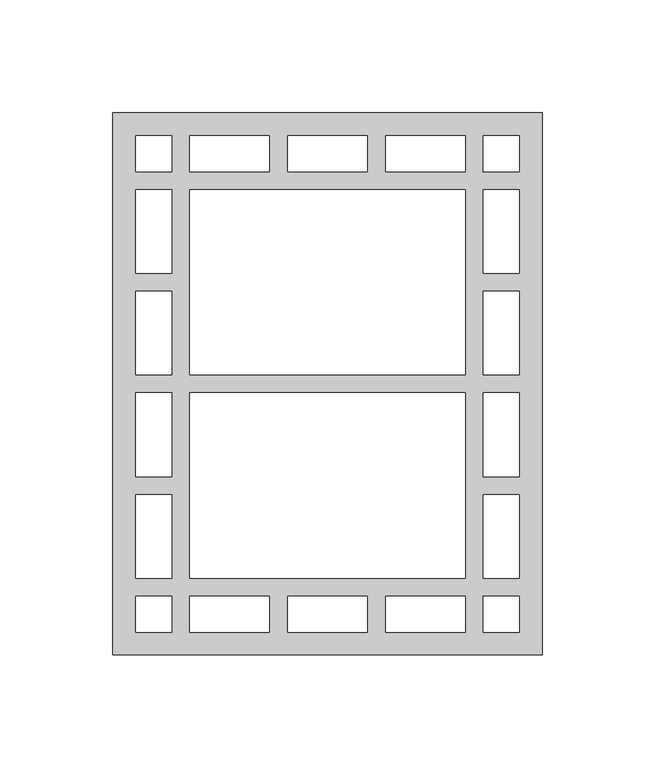
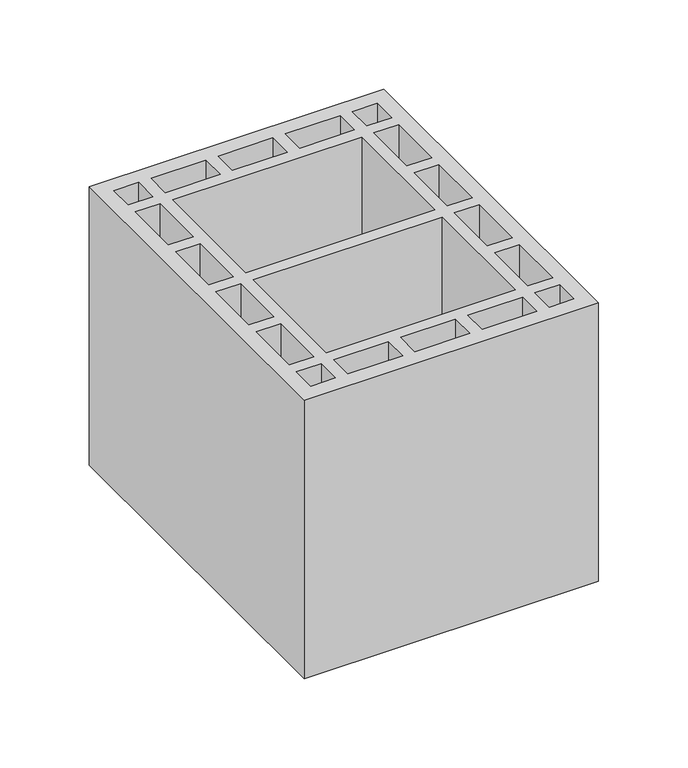
"""IFC4 building model written with IfcOpenShell, lengths in millimetres: proxy geometry."""

from ifc_helpers import new_model, si_unit, origin, origin_with_axes, place, context, project, spatial, polyline, outline, extrude, source, transform, mapped, element, save


def generic_models_00f6a8d5(model_context):
    return source(origin(), model_context, "Body", "SweptSolid", [
        extrude(outline(polyline([(190.0, 0.0), (0.0, 0.0), (0.0, 240.0), (190.0, 240.0), (190.0, 0.0)]), holes=[polyline([(164.0, 10.0), (180.0, 10.0), (180.0, 26.0), (164.0, 26.0), (164.0, 10.0)]), polyline([(26.0, 10.0), (26.0, 26.0), (10.0, 26.0), (10.0, 10.0), (26.0, 10.0)]), polyline([(164.0, 230.0), (164.0, 214.0), (180.0, 214.0), (180.0, 230.0), (164.0, 230.0)]), polyline([(26.0, 230.0), (10.0, 230.0), (10.0, 214.0), (26.0, 214.0), (26.0, 230.0)]), polyline([(164.0, 34.0), (180.0, 34.0), (180.0, 71.0), (164.0, 71.0), (164.0, 34.0)]), polyline([(164.0, 79.0), (180.0, 79.0), (180.0, 116.0), (164.0, 116.0), (164.0, 79.0)]), polyline([(156.0, 116.0), (34.0, 116.0), (34.0, 34.0), (156.0, 34.0), (156.0, 116.0)]), polyline([(26.0, 34.0), (26.0, 71.0), (10.0, 71.0), (10.0, 34.0), (26.0, 34.0)]), polyline([(26.0, 79.0), (26.0, 116.0), (10.0, 116.0), (10.0, 79.0), (26.0, 79.0)]), polyline([(164.0, 206.0), (164.0, 169.0), (180.0, 169.0), (180.0, 206.0), (164.0, 206.0)]), polyline([(164.0, 161.0), (164.0, 124.0), (180.0, 124.0), (180.0, 161.0), (164.0, 161.0)]), polyline([(156.0, 124.0), (156.0, 206.0), (34.0, 206.0), (34.0, 124.0), (156.0, 124.0)]), polyline([(26.0, 206.0), (10.0, 206.0), (10.0, 169.0), (26.0, 169.0), (26.0, 206.0)]), polyline([(26.0, 161.0), (10.0, 161.0), (10.0, 124.0), (26.0, 124.0), (26.0, 161.0)]), polyline([(156.0, 26.0), (120.7, 26.0), (120.7, 10.0), (156.0, 10.0), (156.0, 26.0)]), polyline([(34.0, 26.0), (34.0, 10.0), (69.3, 10.0), (69.3, 26.0), (34.0, 26.0)]), polyline([(77.3, 10.0), (112.7, 10.0), (112.7, 26.0), (77.3, 26.0), (77.3, 10.0)]), polyline([(156.0, 214.0), (156.0, 230.0), (120.7, 230.0), (120.7, 214.0), (156.0, 214.0)]), polyline([(34.0, 214.0), (69.3, 214.0), (69.3, 230.0), (34.0, 230.0), (34.0, 214.0)]), polyline([(77.3, 230.0), (77.3, 214.0), (112.7, 214.0), (112.7, 230.0), (77.3, 230.0)])]), origin_with_axes(), (0.0, 0.0, 1.0), 190.0),
    ])


if __name__ == "__main__":
    model = new_model("IFC4")
    model_context = context("Model", 3, world=origin())
    ifc_project = project(units=[si_unit("LENGTHUNIT", "METRE", prefix="MILLI")], contexts=[model_context])
    site = spatial("IfcSite", under=ifc_project)
    building = spatial("IfcBuilding", under=site)
    placement = place(None, origin())
    generic_models_shape = generic_models_00f6a8d5(model_context)
    element("IfcBuildingElementProxy", 1, Name="Generic Models", at=placement, inside=building, context=model_context, shape_type="MappedRepresentation", body=[
        mapped(generic_models_shape, transform((0.0, 0.0, 0.0), x_axis=(1.0, 0.0, 0.0), y_axis=(0.0, 1.0, 0.0), z_axis=(0.0, 0.0, 1.0))),
    ])
    save(model, "model.ifc")
